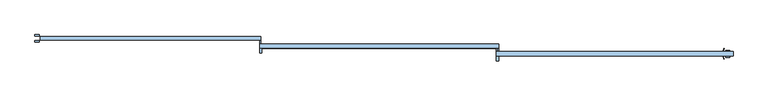
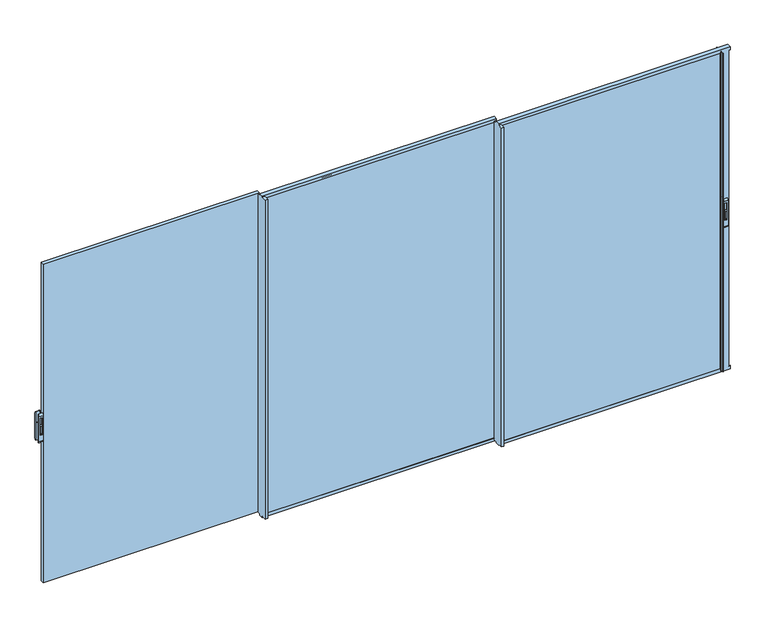
"""IFC4 building model written with IfcOpenShell, lengths in millimetres: window geometry."""

from ifc_helpers import new_model, si_unit, point, frame, frame_2d, origin, place, context, project, spatial, polyline, circle_curve, trimmed, segment, composite_curve, outline, extrude, faceted_brep, source, transform, mapped, element, save
from ifc_brep_helpers import plane_surface, cylinder_surface, revolved_surface, advanced_brep


def window_1f0892d8(model_context):
    return source(origin(), model_context, "Body", "SolidModel", [
        extrude(outline(composite_curve([segment(polyline([(-105.3, 2225.2189223), (-105.3, 2289.6559659)]), True, "CONTINUOUS"), segment(trimmed(circle_curve(frame_2d((-94.7370436, 2289.6559659)), 10.5629564), [point((-105.3, 2289.6559659))], [point((-94.7370436, 2300.2189223))], False, "CARTESIAN"), True, "CONTINUOUS"), segment(polyline([(-94.7370436, 2300.2189223), (-99.5185218, 2225.2189223), (-105.3, 2225.2189223)]), True, "CONTINUOUS")], self_intersect=False)), frame((5088.439635, 0.0, 0.0), z_axis=(1.0, 0.0, 0.0), x_axis=(0.0, 1.0, 0.0)), (0.0, 0.0, 1.0), 14.8235768),
        advanced_brep(
        [(5113.8472469, -105.3, 2157.5), (5113.8472469, -93.3, 2140.0), (5113.8472469, -93.3, 2400.0), (5113.8472469, -105.3, 2382.5), (5077.8935563, -105.3, 2157.5), (5077.8935563, -105.3, 2382.5), (5077.8935563, -93.3, 2400.0), (5077.8935563, -93.3, 2140.0), (5087.0561714, -105.3, 2366.667345), (5104.6466754, -105.3, 2366.667345), (5104.6466754, -105.3, 2210.7687336), (5087.0561714, -105.3, 2210.7687336), (5104.6466754, -94.7370436, 2366.667345), (5087.0561714, -94.7370436, 2366.667345), (5087.0561714, -94.7370436, 2210.7687336), (5104.6466754, -94.7370436, 2210.7687336)],
        [
            (0, 1, circle_curve(frame((5113.8472469, -86.5395833, 2157.5), z_axis=(1.0, 0.0, 0.0), x_axis=(0.0, 0.0, -1.0)), 18.7604167)),
            (1, 2),
            (2, 3, circle_curve(frame((5113.8472469, -86.5395833, 2382.5), z_axis=(1.0, 0.0, 0.0), x_axis=(0.0, 0.0, -1.0)), 18.7604167)),
            (3, 0),
            (4, 5),
            (5, 6, circle_curve(frame((5077.8935563, -86.5395833, 2382.5), z_axis=(-1.0, 0.0, 0.0), x_axis=(0.0, 0.0, -1.0)), 18.7604167)),
            (6, 7),
            (7, 4, circle_curve(frame((5077.8935563, -86.5395833, 2157.5), z_axis=(-1.0, 0.0, 0.0), x_axis=(0.0, 0.0, -1.0)), 18.7604167)),
            (1, 7),
            (6, 2),
            (3, 5),
            (4, 0),
            (8, 9),
            (9, 10),
            (10, 11),
            (11, 8),
            (12, 13),
            (13, 14),
            (14, 15),
            (15, 12),
            (12, 9),
            (8, 13),
            (11, 14),
            (10, 15),
        ],
        [
            plane_surface(frame((5113.8472469, -86.5395833, 2138.7395833), z_axis=(1.0, 0.0, 0.0), x_axis=(0.0, 1.0, 0.0))),
            plane_surface(frame((5077.8935563, -86.5395833, 2138.7395833), z_axis=(-1.0, 0.0, 0.0), x_axis=(0.0, -1.0, 0.0))),
            plane_surface(frame((5113.8472469, -93.3, 2140.0), z_axis=(0.0, 1.0, 0.0), x_axis=(-1.0, 0.0, 0.0))),
            plane_surface(frame((5113.8472469, -105.3, 2382.5), z_axis=(0.0, -1.0, 0.0), x_axis=(-1.0, 0.0, 0.0))),
            plane_surface(frame((5087.0561714, -94.7370436, 2366.667345), z_axis=(0.0, -1.0, 0.0), x_axis=(1.0, 0.0, 0.0))),
            plane_surface(frame((5104.6466754, -105.3, 2366.667345), z_axis=(0.0, 0.0, -1.0), x_axis=(0.0, 1.0, 0.0))),
            plane_surface(frame((5087.0561714, -105.3, 2366.667345), z_axis=(1.0, 0.0, 0.0), x_axis=(0.0, 1.0, 0.0))),
            plane_surface(frame((5087.0561714, -105.3, 2210.7687336), z_axis=(0.0, 0.0, 1.0), x_axis=(0.0, 1.0, 0.0))),
            plane_surface(frame((5104.6466754, -105.3, 2210.7687336), z_axis=(-1.0, 0.0, 0.0), x_axis=(0.0, 1.0, 0.0))),
            cylinder_surface(frame((5077.8935563, -86.5395833, 2157.5), z_axis=(1.0, 0.0, 0.0), x_axis=(0.0, 0.0, -1.0)), 18.7604167),
            cylinder_surface(frame((5077.8935563, -86.5395833, 2382.5), z_axis=(1.0, 0.0, 0.0), x_axis=(0.0, 0.0, -1.0)), 18.7604167),
        ],
        [
            (0, [[1, 2, 3, 4]]),
            (1, [[5, 6, 7, 8]]),
            (2, [[-2, 9, -7, 10]]),
            (3, [[-4, 11, -5, 12], [13, 14, 15, 16]]),
            (4, [[17, 18, 19, 20]]),
            (5, [[-17, 21, -13, 22]]),
            (6, [[-18, -22, -16, 23]]),
            (7, [[-19, -23, -15, 24]]),
            (8, [[-20, -24, -14, -21]]),
            (9, [[-1, -12, -8, -9]]),
            (10, [[-3, -10, -6, -11]]),
        ],
    ),
        extrude(outline(composite_curve([segment(polyline([(-44.9, 2225.2189223), (-50.6814782, 2225.2189223), (-55.4629564, 2300.2189223)]), True, "CONTINUOUS"), segment(trimmed(circle_curve(frame_2d((-55.4629564, 2289.6559659)), 10.5629564), [point((-55.4629564, 2300.2189223))], [point((-44.9, 2289.6559659))], False, "CARTESIAN"), True, "CONTINUOUS"), segment(polyline([(-44.9, 2289.6559659), (-44.9, 2225.2189223)]), True, "CONTINUOUS")], self_intersect=False)), frame((5088.4775914, 0.0, 0.0), z_axis=(1.0, 0.0, 0.0), x_axis=(0.0, 1.0, 0.0)), (0.0, 0.0, 1.0), 14.8235768),
        advanced_brep(
        [(5077.8935563, -44.9, 2157.5), (5077.8935563, -56.9, 2140.0), (5077.8935563, -56.9, 2400.0), (5077.8935563, -44.9, 2382.5), (5113.8472469, -44.9, 2157.5), (5113.8472469, -44.9, 2382.5), (5113.8472469, -56.9, 2400.0), (5113.8472469, -56.9, 2140.0), (5104.6846318, -44.9, 2366.667345), (5087.0941278, -44.9, 2366.667345), (5087.0941278, -44.9, 2210.7687336), (5104.6846318, -44.9, 2210.7687336), (5087.0941278, -55.4629564, 2366.667345), (5104.6846318, -55.4629564, 2366.667345), (5104.6846318, -55.4629564, 2210.7687336), (5087.0941278, -55.4629564, 2210.7687336)],
        [
            (0, 1, circle_curve(frame((5077.8935563, -63.6604167, 2157.5), z_axis=(-1.0, 0.0, 0.0), x_axis=(0.0, 0.0, -1.0)), 18.7604167)),
            (1, 2),
            (2, 3, circle_curve(frame((5077.8935563, -63.6604167, 2382.5), z_axis=(-1.0, 0.0, 0.0), x_axis=(0.0, 0.0, -1.0)), 18.7604167)),
            (3, 0),
            (4, 5),
            (5, 6, circle_curve(frame((5113.8472469, -63.6604167, 2382.5), z_axis=(1.0, 0.0, 0.0), x_axis=(0.0, 0.0, -1.0)), 18.7604167)),
            (6, 7),
            (7, 4, circle_curve(frame((5113.8472469, -63.6604167, 2157.5), z_axis=(1.0, 0.0, 0.0), x_axis=(0.0, 0.0, -1.0)), 18.7604167)),
            (1, 7),
            (6, 2),
            (3, 5),
            (4, 0),
            (8, 9),
            (9, 10),
            (10, 11),
            (11, 8),
            (12, 13),
            (13, 14),
            (14, 15),
            (15, 12),
            (12, 9),
            (8, 13),
            (11, 14),
            (10, 15),
        ],
        [
            plane_surface(frame((5077.8935563, -63.6604167, 2138.7395833), z_axis=(-1.0, 0.0, 0.0), x_axis=(0.0, -1.0, 0.0))),
            plane_surface(frame((5113.8472469, -63.6604167, 2138.7395833), z_axis=(1.0, 0.0, 0.0), x_axis=(0.0, 1.0, 0.0))),
            plane_surface(frame((5077.8935563, -56.9, 2140.0), z_axis=(0.0, -1.0, 0.0), x_axis=(1.0, 0.0, 0.0))),
            plane_surface(frame((5077.8935563, -44.9, 2382.5), z_axis=(0.0, 1.0, 0.0), x_axis=(1.0, 0.0, 0.0))),
            plane_surface(frame((5104.6846318, -55.4629564, 2366.667345), z_axis=(0.0, 1.0, 0.0), x_axis=(-1.0, 0.0, 0.0))),
            plane_surface(frame((5087.0941278, -44.9, 2366.667345), z_axis=(0.0, 0.0, -1.0), x_axis=(0.0, -1.0, 0.0))),
            plane_surface(frame((5104.6846318, -44.9, 2366.667345), z_axis=(-1.0, 0.0, 0.0), x_axis=(0.0, -1.0, 0.0))),
            plane_surface(frame((5104.6846318, -44.9, 2210.7687336), z_axis=(0.0, 0.0, 1.0), x_axis=(0.0, -1.0, 0.0))),
            plane_surface(frame((5087.0941278, -44.9, 2210.7687336), z_axis=(1.0, 0.0, 0.0), x_axis=(0.0, -1.0, 0.0))),
            cylinder_surface(frame((5113.8472469, -63.6604167, 2157.5), z_axis=(-1.0, 0.0, 0.0), x_axis=(0.0, 0.0, -1.0)), 18.7604167),
            cylinder_surface(frame((5113.8472469, -63.6604167, 2382.5), z_axis=(-1.0, 0.0, 0.0), x_axis=(0.0, 0.0, -1.0)), 18.7604167),
        ],
        [
            (0, [[1, 2, 3, 4]]),
            (1, [[5, 6, 7, 8]]),
            (2, [[-2, 9, -7, 10]]),
            (3, [[-4, 11, -5, 12], [13, 14, 15, 16]]),
            (4, [[17, 18, 19, 20]]),
            (5, [[-17, 21, -13, 22]]),
            (6, [[-18, -22, -16, 23]]),
            (7, [[-19, -23, -15, 24]]),
            (8, [[-20, -24, -14, -21]]),
            (9, [[-1, -12, -8, -9]]),
            (10, [[-3, -10, -6, -11]]),
        ],
    ),
        extrude(outline(composite_curve([segment(polyline([(26.7, 2225.2189223), (26.7, 2289.6559659)]), True, "CONTINUOUS"), segment(trimmed(circle_curve(frame_2d((37.2629564, 2289.6559659)), 10.5629564), [point((26.7, 2289.6559659))], [point((37.2629564, 2300.2189223))], False, "CARTESIAN"), True, "CONTINUOUS"), segment(polyline([(37.2629564, 2300.2189223), (32.4814782, 2225.2189223), (26.7, 2225.2189223)]), True, "CONTINUOUS")], self_intersect=False)), frame((-746.8011682, 0.0, 0.0), z_axis=(1.0, 0.0, 0.0), x_axis=(0.0, 1.0, 0.0)), (0.0, 0.0, 1.0), 14.8235768),
        advanced_brep(
        [(-721.3935563, 26.7, 2157.5), (-721.3935563, 38.7, 2140.0), (-721.3935563, 38.7, 2400.0), (-721.3935563, 26.7, 2382.5), (-757.3472469, 26.7, 2157.5), (-757.3472469, 26.7, 2382.5), (-757.3472469, 38.7, 2400.0), (-757.3472469, 38.7, 2140.0), (-748.1846318, 26.7, 2366.667345), (-730.5941278, 26.7, 2366.667345), (-730.5941278, 26.7, 2210.7687336), (-748.1846318, 26.7, 2210.7687336), (-730.5941278, 37.2629564, 2366.667345), (-748.1846318, 37.2629564, 2366.667345), (-748.1846318, 37.2629564, 2210.7687336), (-730.5941278, 37.2629564, 2210.7687336)],
        [
            (0, 1, circle_curve(frame((-721.3935563, 45.4604167, 2157.5), z_axis=(1.0, 0.0, 0.0), x_axis=(0.0, 0.0, -1.0)), 18.7604167)),
            (1, 2),
            (2, 3, circle_curve(frame((-721.3935563, 45.4604167, 2382.5), z_axis=(1.0, 0.0, 0.0), x_axis=(0.0, 0.0, -1.0)), 18.7604167)),
            (3, 0),
            (4, 5),
            (5, 6, circle_curve(frame((-757.3472469, 45.4604167, 2382.5), z_axis=(-1.0, 0.0, 0.0), x_axis=(0.0, 0.0, -1.0)), 18.7604167)),
            (6, 7),
            (7, 4, circle_curve(frame((-757.3472469, 45.4604167, 2157.5), z_axis=(-1.0, 0.0, 0.0), x_axis=(0.0, 0.0, -1.0)), 18.7604167)),
            (1, 7),
            (6, 2),
            (3, 5),
            (4, 0),
            (8, 9),
            (9, 10),
            (10, 11),
            (11, 8),
            (12, 13),
            (13, 14),
            (14, 15),
            (15, 12),
            (12, 9),
            (8, 13),
            (11, 14),
            (10, 15),
        ],
        [
            plane_surface(frame((-721.3935563, 45.4604167, 2138.7395833), z_axis=(1.0, 0.0, 0.0), x_axis=(0.0, 1.0, 0.0))),
            plane_surface(frame((-757.3472469, 45.4604167, 2138.7395833), z_axis=(-1.0, 0.0, 0.0), x_axis=(0.0, -1.0, 0.0))),
            plane_surface(frame((-721.3935563, 38.7, 2140.0), z_axis=(0.0, 1.0, 0.0), x_axis=(-1.0, 0.0, 0.0))),
            plane_surface(frame((-721.3935563, 26.7, 2382.5), z_axis=(0.0, -1.0, 0.0), x_axis=(-1.0, 0.0, 0.0))),
            plane_surface(frame((-748.1846318, 37.2629564, 2366.667345), z_axis=(0.0, -1.0, 0.0), x_axis=(1.0, 0.0, 0.0))),
            plane_surface(frame((-730.5941278, 26.7, 2366.667345), z_axis=(0.0, 0.0, -1.0), x_axis=(0.0, 1.0, 0.0))),
            plane_surface(frame((-748.1846318, 26.7, 2366.667345), z_axis=(1.0, 0.0, 0.0), x_axis=(0.0, 1.0, 0.0))),
            plane_surface(frame((-748.1846318, 26.7, 2210.7687336), z_axis=(0.0, 0.0, 1.0), x_axis=(0.0, 1.0, 0.0))),
            plane_surface(frame((-730.5941278, 26.7, 2210.7687336), z_axis=(-1.0, 0.0, 0.0), x_axis=(0.0, 1.0, 0.0))),
            cylinder_surface(frame((-757.3472469, 45.4604167, 2157.5), z_axis=(1.0, 0.0, 0.0), x_axis=(0.0, 0.0, -1.0)), 18.7604167),
            cylinder_surface(frame((-757.3472469, 45.4604167, 2382.5), z_axis=(1.0, 0.0, 0.0), x_axis=(0.0, 0.0, -1.0)), 18.7604167),
        ],
        [
            (0, [[1, 2, 3, 4]]),
            (1, [[5, 6, 7, 8]]),
            (2, [[-2, 9, -7, 10]]),
            (3, [[-4, 11, -5, 12], [13, 14, 15, 16]]),
            (4, [[17, 18, 19, 20]]),
            (5, [[-17, 21, -13, 22]]),
            (6, [[-18, -22, -16, 23]]),
            (7, [[-19, -23, -15, 24]]),
            (8, [[-20, -24, -14, -21]]),
            (9, [[-1, -12, -8, -9]]),
            (10, [[-3, -10, -6, -11]]),
        ],
    ),
        extrude(outline(composite_curve([segment(polyline([(87.1, 2225.2189223), (81.3185218, 2225.2189223), (76.5370436, 2300.2189223)]), True, "CONTINUOUS"), segment(trimmed(circle_curve(frame_2d((76.5370436, 2289.6559659)), 10.5629564), [point((76.5370436, 2300.2189223))], [point((87.1, 2289.6559659))], False, "CARTESIAN"), True, "CONTINUOUS"), segment(polyline([(87.1, 2289.6559659), (87.1, 2225.2189223)]), True, "CONTINUOUS")], self_intersect=False)), frame((-746.7632118, 0.0, 0.0), z_axis=(1.0, 0.0, 0.0), x_axis=(0.0, 1.0, 0.0)), (0.0, 0.0, 1.0), 14.8235768),
        advanced_brep(
        [(-757.3472469, 87.1, 2157.5), (-757.3472469, 75.1, 2140.0), (-757.3472469, 75.1, 2400.0), (-757.3472469, 87.1, 2382.5), (-721.3935563, 87.1, 2157.5), (-721.3935563, 87.1, 2382.5), (-721.3935563, 75.1, 2400.0), (-721.3935563, 75.1, 2140.0), (-730.5561714, 87.1, 2366.667345), (-748.1466754, 87.1, 2366.667345), (-748.1466754, 87.1, 2210.7687336), (-730.5561714, 87.1, 2210.7687336), (-748.1466754, 76.5370436, 2366.667345), (-730.5561714, 76.5370436, 2366.667345), (-730.5561714, 76.5370436, 2210.7687336), (-748.1466754, 76.5370436, 2210.7687336)],
        [
            (0, 1, circle_curve(frame((-757.3472469, 68.3395833, 2157.5), z_axis=(-1.0, 0.0, 0.0), x_axis=(0.0, 0.0, -1.0)), 18.7604167)),
            (1, 2),
            (2, 3, circle_curve(frame((-757.3472469, 68.3395833, 2382.5), z_axis=(-1.0, 0.0, 0.0), x_axis=(0.0, 0.0, -1.0)), 18.7604167)),
            (3, 0),
            (4, 5),
            (5, 6, circle_curve(frame((-721.3935563, 68.3395833, 2382.5), z_axis=(1.0, 0.0, 0.0), x_axis=(0.0, 0.0, -1.0)), 18.7604167)),
            (6, 7),
            (7, 4, circle_curve(frame((-721.3935563, 68.3395833, 2157.5), z_axis=(1.0, 0.0, 0.0), x_axis=(0.0, 0.0, -1.0)), 18.7604167)),
            (1, 7),
            (6, 2),
            (3, 5),
            (4, 0),
            (8, 9),
            (9, 10),
            (10, 11),
            (11, 8),
            (12, 13),
            (13, 14),
            (14, 15),
            (15, 12),
            (12, 9),
            (8, 13),
            (11, 14),
            (10, 15),
        ],
        [
            plane_surface(frame((-757.3472469, 68.3395833, 2138.7395833), z_axis=(-1.0, 0.0, 0.0), x_axis=(0.0, -1.0, 0.0))),
            plane_surface(frame((-721.3935563, 68.3395833, 2138.7395833), z_axis=(1.0, 0.0, 0.0), x_axis=(0.0, 1.0, 0.0))),
            plane_surface(frame((-757.3472469, 75.1, 2140.0), z_axis=(0.0, -1.0, 0.0), x_axis=(1.0, 0.0, 0.0))),
            plane_surface(frame((-757.3472469, 87.1, 2382.5), z_axis=(0.0, 1.0, 0.0), x_axis=(1.0, 0.0, 0.0))),
            plane_surface(frame((-730.5561714, 76.5370436, 2366.667345), z_axis=(0.0, 1.0, 0.0), x_axis=(-1.0, 0.0, 0.0))),
            plane_surface(frame((-748.1466754, 87.1, 2366.667345), z_axis=(0.0, 0.0, -1.0), x_axis=(0.0, -1.0, 0.0))),
            plane_surface(frame((-730.5561714, 87.1, 2366.667345), z_axis=(-1.0, 0.0, 0.0), x_axis=(0.0, -1.0, 0.0))),
            plane_surface(frame((-730.5561714, 87.1, 2210.7687336), z_axis=(0.0, 0.0, 1.0), x_axis=(0.0, -1.0, 0.0))),
            plane_surface(frame((-748.1466754, 87.1, 2210.7687336), z_axis=(1.0, 0.0, 0.0), x_axis=(0.0, -1.0, 0.0))),
            cylinder_surface(frame((-721.3935563, 68.3395833, 2157.5), z_axis=(-1.0, 0.0, 0.0), x_axis=(0.0, 0.0, -1.0)), 18.7604167),
            cylinder_surface(frame((-721.3935563, 68.3395833, 2382.5), z_axis=(-1.0, 0.0, 0.0), x_axis=(0.0, 0.0, -1.0)), 18.7604167),
        ],
        [
            (0, [[1, 2, 3, 4]]),
            (1, [[5, 6, 7, 8]]),
            (2, [[-2, 9, -7, 10]]),
            (3, [[-4, 11, -5, 12], [13, 14, 15, 16]]),
            (4, [[17, 18, 19, 20]]),
            (5, [[-17, 21, -13, 22]]),
            (6, [[-18, -22, -16, 23]]),
            (7, [[-19, -23, -15, 24]]),
            (8, [[-20, -24, -14, -21]]),
            (9, [[-1, -12, -8, -9]]),
            (10, [[-3, -10, -6, -11]]),
        ],
    ),
        extrude(outline(polyline([(3148.0, -90.1), (3148.0, -60.1), (5068.9810829, -60.1), (5068.9810829, -90.1), (3148.0, -90.1)])), frame((0.0, 0.0, 844.0), z_axis=(0.0, 0.0, 1.0), x_axis=(1.0, 0.0, 0.0)), (0.0, 0.0, 1.0), 2908.9999325),
        advanced_brep(
        [(3140.0, -56.9, 832.5), (3140.0, -93.3, 832.5), (3140.0, -93.3, 844.0), (3140.0, -135.3, 844.0), (3140.0, -135.3, 3752.9999325), (3140.0, -93.3, 3752.9999325), (3140.0, -93.3, 3767.5), (3140.0, -56.9, 3767.5), (3140.0, -56.9, 3752.9999325), (3140.0, -30.1987557, 3752.9999325), (3140.0, -30.1987557, 844.0), (3140.0, -56.9, 844.0), (5140.0, -56.9, 832.5), (5140.0, -93.3, 832.5), (5140.0, -93.3, 859.0), (5128.2810829, -93.3, 859.0), (5128.2810829, -93.3, 3741.0), (5140.0, -93.3, 3741.0), (5140.0, -93.3, 3767.5), (3160.0, -93.3, 3752.9999325), (3160.0, -93.3, 3741.0), (5055.0, -93.3, 3741.0), (5055.0, -93.3, 859.0), (3160.0, -93.3, 859.0), (3160.0, -93.3, 844.0), (5056.9810829, -93.3, 3752.9999325), (5062.3626434, -93.3, 3752.9999325), (5062.3626434, -93.3, 847.0000675), (5056.9810829, -93.3, 847.0000675), (3150.0, -30.1987557, 844.0), (3150.0, -56.9, 844.0), (3160.0, -135.3, 844.0), (3160.0, -135.3, 3752.9999325), (3150.0, -30.1987557, 3752.9999325), (5140.0, -56.9, 859.0), (3150.0, -56.9, 3752.9999325), (5140.0, -56.9, 3767.5), (5140.0, -56.9, 3741.0), (5128.2810829, -56.9, 3741.0), (5128.2810829, -56.9, 859.0), (5055.0, -56.9, 859.0), (5055.0, -56.9, 3741.0), (3160.0, -56.9, 3741.0), (3160.0, -56.9, 859.0), (5062.3626434, -56.9, 3752.9999325), (5056.9810829, -56.9, 3752.9999325), (5056.9810829, -56.9, 847.0000675), (5062.3626434, -56.9, 847.0000675), (5140.0, -60.1, 859.0), (5140.0, -60.1, 847.0000675), (5140.0, -90.1, 847.0000675), (5140.0, -90.1, 859.0), (5128.2810829, -60.1, 859.0), (5128.2810829, -60.1, 847.0000675), (3148.0, -60.1, 847.0000675), (5068.9810829, -60.1, 847.0000675), (5068.9810829, -60.1, 3752.9999325), (3148.0, -60.1, 3752.9999325), (5055.0, -60.1, 859.0), (3160.0, -60.1, 859.0), (3160.0, -60.1, 3741.0), (5055.0, -60.1, 3741.0), (5140.0, -60.1, 3741.0), (5140.0, -60.1, 3752.9999325), (5128.2810829, -60.1, 3752.9999325), (5128.2810829, -60.1, 3741.0), (5128.2810829, -90.1, 847.0000675), (3148.0, -90.1, 847.0000675), (5068.9810829, -90.1, 847.0000675), (5128.2810829, -90.1, 859.0), (3148.0, -90.1, 3752.9999325), (5068.9810829, -90.1, 3752.9999325), (3160.0, -90.1, 859.0), (5055.0, -90.1, 859.0), (5055.0, -90.1, 3741.0), (3160.0, -90.1, 3741.0), (5140.0, -90.1, 3752.9999325), (5140.0, -90.1, 3741.0), (5128.2810829, -90.1, 3741.0), (5128.2810829, -90.1, 3752.9999325), (5055.1121686, -50.3823214, 3752.9999325), (5055.1121686, -50.3823214, 847.0000675), (5055.1121686, -47.825501, 847.0000675), (5059.7647392, -32.6076283, 847.0000675), (5060.721044, -31.9, 847.0000675), (5063.4810829, -31.9, 847.0000675), (5063.9558651, -32.5567861, 847.0000675), (5058.2207139, -47.9669635, 847.0000675), (5058.1075139, -49.9444659, 847.0000675), (5059.4788583, -54.7269121, 847.0000675), (5059.4788583, -95.4730879, 847.0000675), (5058.1075139, -100.2555341, 847.0000675), (5058.2207139, -102.2330365, 847.0000675), (5063.9558651, -117.6432139, 847.0000675), (5063.4810829, -118.3, 847.0000675), (5060.721044, -118.3, 847.0000675), (5059.7647392, -117.5923717, 847.0000675), (5055.1121686, -102.374499, 847.0000675), (5055.1121686, -99.8176786, 847.0000675), (5059.4788583, -54.7269121, 3752.9999325), (5059.4788583, -95.4730879, 3752.9999325), (5055.1121686, -99.8176786, 3752.9999325), (5058.1075139, -100.2555341, 3752.9999325), (5058.2207139, -102.2330365, 3752.9999325), (5063.9558651, -117.6432139, 3752.9999325), (5063.4810829, -118.3, 3752.9999325), (5060.721044, -118.3, 3752.9999325), (5059.7647392, -117.5923717, 3752.9999325), (5055.1121686, -102.374499, 3752.9999325), (5055.1121686, -47.825501, 3752.9999325), (5059.7647392, -32.6076283, 3752.9999325), (5060.721044, -31.9, 3752.9999325), (5063.4810829, -31.9, 3752.9999325), (5063.9558651, -32.5567861, 3752.9999325), (5058.2207139, -47.9669635, 3752.9999325), (5058.1075139, -49.9444659, 3752.9999325)],
        [
            (0, 1),
            (1, 2),
            (2, 3),
            (3, 4),
            (4, 5),
            (5, 6),
            (6, 7),
            (7, 8),
            (8, 9),
            (9, 10),
            (10, 11),
            (11, 0),
            (0, 12),
            (12, 13),
            (13, 1),
            (13, 14),
            (14, 15),
            (15, 16),
            (16, 17),
            (17, 18),
            (18, 6),
            (5, 19),
            (19, 20),
            (20, 21),
            (21, 22),
            (22, 23),
            (23, 24),
            (24, 2),
            (25, 26),
            (26, 27),
            (27, 28),
            (28, 25),
            (10, 29),
            (29, 30),
            (30, 11),
            (31, 3),
            (24, 31),
            (32, 4),
            (31, 32),
            (9, 33),
            (33, 29),
            (34, 12),
            (30, 35),
            (35, 8),
            (7, 36),
            (36, 37),
            (37, 38),
            (38, 39),
            (39, 34),
            (40, 41),
            (41, 42),
            (42, 43),
            (43, 40),
            (44, 45),
            (45, 46),
            (46, 47),
            (47, 44),
            (48, 49),
            (49, 50),
            (50, 51),
            (51, 14),
            (34, 48),
            (48, 52),
            (52, 53),
            (53, 49),
            (54, 55),
            (55, 56),
            (56, 57),
            (57, 54),
            (58, 59),
            (59, 60),
            (60, 61),
            (61, 58),
            (62, 63),
            (63, 64),
            (64, 65),
            (65, 62),
            (53, 66),
            (66, 50),
            (54, 67),
            (67, 68),
            (68, 55),
            (66, 69),
            (69, 51),
            (67, 70),
            (70, 71),
            (71, 68),
            (72, 73),
            (73, 74),
            (74, 75),
            (75, 72),
            (76, 77),
            (77, 78),
            (78, 79),
            (79, 76),
            (69, 15),
            (72, 23),
            (22, 73),
            (39, 52),
            (43, 59),
            (58, 40),
            (38, 65),
            (64, 79),
            (78, 16),
            (42, 60),
            (61, 41),
            (33, 35),
            (45, 80),
            (80, 81),
            (81, 46),
            (81, 82, circle_curve(frame((5059.5705149, -49.1039112, 847.0000675), z_axis=(0.0, 0.0, -1.0), x_axis=(0.0, -1.0, 0.0)), 4.638015)),
            (82, 83),
            (83, 84, circle_curve(frame((5060.721044, -32.9, 847.0000675), z_axis=(0.0, 0.0, -1.0), x_axis=(0.0, -1.0, 0.0)), 1.0)),
            (84, 85),
            (85, 86, circle_curve(frame((5063.4810829, -32.4, 847.0000675), z_axis=(0.0, 0.0, -1.0), x_axis=(0.0, -1.0, 0.0)), 0.5)),
            (86, 87, circle_curve(frame((4854.7879244, 36.5162025, 847.0000675), z_axis=(0.0, 0.0, -1.0), x_axis=(0.0, -1.0, 0.0)), 220.2777909)),
            (87, 88, circle_curve(frame((5060.991299, -49.1175538, 847.0000675), z_axis=(0.0, 0.0, 1.0), x_axis=(0.0, -1.0, 0.0)), 3.0)),
            (88, 89),
            (89, 47, circle_curve(frame((5062.3626434, -53.9, 847.0000675), z_axis=(0.0, 0.0, 1.0), x_axis=(0.0, -1.0, 0.0)), 3.0)),
            (27, 90, circle_curve(frame((5062.3626434, -96.3, 847.0000675), z_axis=(0.0, 0.0, 1.0), x_axis=(0.0, -1.0, 0.0)), 3.0)),
            (90, 91),
            (91, 92, circle_curve(frame((5060.991299, -101.0824462, 847.0000675), z_axis=(0.0, 0.0, 1.0), x_axis=(0.0, -1.0, 0.0)), 3.0)),
            (92, 93, circle_curve(frame((4854.7879244, -186.7162025, 847.0000675), z_axis=(0.0, 0.0, -1.0), x_axis=(0.0, -1.0, 0.0)), 220.2777909)),
            (93, 94, circle_curve(frame((5063.4810829, -117.8, 847.0000675), z_axis=(0.0, 0.0, -1.0), x_axis=(0.0, -1.0, 0.0)), 0.5)),
            (94, 95),
            (95, 96, circle_curve(frame((5060.721044, -117.3, 847.0000675), z_axis=(0.0, 0.0, -1.0), x_axis=(0.0, -1.0, 0.0)), 1.0)),
            (96, 97),
            (97, 98, circle_curve(frame((5059.5705149, -101.0960888, 847.0000675), z_axis=(0.0, 0.0, -1.0), x_axis=(0.0, -1.0, 0.0)), 4.638015)),
            (98, 28),
            (99, 44, circle_curve(frame((5062.3626434, -53.9, 3752.9999325), z_axis=(0.0, 0.0, 1.0), x_axis=(0.0, -1.0, 0.0)), 3.0)),
            (89, 99),
            (21, 74),
            (75, 20),
            (19, 32),
            (26, 100, circle_curve(frame((5062.3626434, -96.3, 3752.9999325), z_axis=(0.0, 0.0, 1.0), x_axis=(0.0, -1.0, 0.0)), 3.0)),
            (100, 90),
            (101, 25),
            (98, 101),
            (57, 70),
            (71, 56),
            (100, 102),
            (102, 91),
            (102, 103, circle_curve(frame((5060.991299, -101.0824462, 3752.9999325), z_axis=(0.0, 0.0, 1.0), x_axis=(0.0, -1.0, 0.0)), 3.0)),
            (103, 92),
            (103, 104, circle_curve(frame((4854.7879244, -186.7162025, 3752.9999325), z_axis=(0.0, 0.0, -1.0), x_axis=(0.0, -1.0, 0.0)), 220.2777909)),
            (104, 93),
            (104, 105, circle_curve(frame((5063.4810829, -117.8, 3752.9999325), z_axis=(0.0, 0.0, -1.0), x_axis=(0.0, -1.0, 0.0)), 0.5)),
            (105, 94),
            (105, 106),
            (106, 95),
            (106, 107, circle_curve(frame((5060.721044, -117.3, 3752.9999325), z_axis=(0.0, 0.0, -1.0), x_axis=(0.0, -1.0, 0.0)), 1.0)),
            (107, 96),
            (107, 108),
            (108, 97),
            (108, 101, circle_curve(frame((5059.5705149, -101.0960888, 3752.9999325), z_axis=(0.0, 0.0, -1.0), x_axis=(0.0, -1.0, 0.0)), 4.638015)),
            (80, 109, circle_curve(frame((5059.5705149, -49.1039112, 3752.9999325), z_axis=(0.0, 0.0, -1.0), x_axis=(0.0, -1.0, 0.0)), 4.638015)),
            (109, 82),
            (109, 110),
            (110, 83),
            (110, 111, circle_curve(frame((5060.721044, -32.9, 3752.9999325), z_axis=(0.0, 0.0, -1.0), x_axis=(0.0, -1.0, 0.0)), 1.0)),
            (111, 84),
            (111, 112),
            (112, 85),
            (112, 113, circle_curve(frame((5063.4810829, -32.4, 3752.9999325), z_axis=(0.0, 0.0, -1.0), x_axis=(0.0, -1.0, 0.0)), 0.5)),
            (113, 86),
            (113, 114, circle_curve(frame((4854.7879244, 36.5162025, 3752.9999325), z_axis=(0.0, 0.0, -1.0), x_axis=(0.0, -1.0, 0.0)), 220.2777909)),
            (114, 87),
            (114, 115, circle_curve(frame((5060.991299, -49.1175538, 3752.9999325), z_axis=(0.0, 0.0, 1.0), x_axis=(0.0, -1.0, 0.0)), 3.0)),
            (115, 88),
            (115, 99),
            (18, 36),
            (62, 37),
            (17, 77),
            (76, 63),
        ],
        [
            plane_surface(frame((3140.0, -56.9, 859.0), z_axis=(-1.0, 0.0, 0.0), x_axis=(0.0, 1.0, 0.0))),
            plane_surface(frame((3140.0, -56.9, 832.5), z_axis=(0.0, 0.0, -1.0), x_axis=(1.0, 0.0, 0.0))),
            plane_surface(frame((3140.0, -93.3, 832.5), z_axis=(0.0, -1.0, 0.0), x_axis=(1.0, 0.0, 0.0))),
            plane_surface(frame((3140.0, -135.3, 844.0), z_axis=(0.0, 0.0, -1.0), x_axis=(0.0, 1.0, 0.0))),
            plane_surface(frame((3140.0, -135.3, 3752.9999325), z_axis=(0.0, -1.0, 0.0), x_axis=(0.0, 0.0, -1.0))),
            plane_surface(frame((3150.0, -30.1987557, 3752.9999325), z_axis=(0.0, 1.0, 0.0), x_axis=(0.0, 0.0, -1.0))),
            plane_surface(frame((3140.0, -56.9, 859.0), z_axis=(0.0, 1.0, 0.0), x_axis=(1.0, 0.0, 0.0))),
            plane_surface(frame((5140.0, -56.9, 859.0), z_axis=(1.0, 0.0, 0.0), x_axis=(0.0, -1.0, 0.0))),
            plane_surface(frame((3140.0, -60.1, 847.0000675), z_axis=(0.0, -1.0, 0.0), x_axis=(1.0, 0.0, 0.0))),
            plane_surface(frame((3140.0, -90.1, 847.0000675), z_axis=(0.0, 0.0, 1.0), x_axis=(1.0, 0.0, 0.0))),
            plane_surface(frame((3140.0, -90.1, 859.0), z_axis=(0.0, 1.0, 0.0), x_axis=(1.0, 0.0, 0.0))),
            plane_surface(frame((3140.0, -93.3, 859.0), z_axis=(0.0, 0.0, 1.0), x_axis=(1.0, 0.0, 0.0))),
            plane_surface(frame((3140.0, -60.1, 859.0), z_axis=(0.0, 0.0, 1.0), x_axis=(1.0, 0.0, 0.0))),
            plane_surface(frame((5128.2810829, -93.3, 3752.9999325), z_axis=(1.0, 0.0, 0.0), x_axis=(0.0, 0.0, -1.0))),
            plane_surface(frame((3160.0, -60.1, 3752.9999325), z_axis=(1.0, 0.0, 0.0), x_axis=(0.0, 0.0, -1.0))),
            plane_surface(frame((5055.0, -56.9, 3752.9999325), z_axis=(-1.0, 0.0, 0.0), x_axis=(0.0, 0.0, -1.0))),
            plane_surface(frame((3150.0, -56.9, 3752.9999325), z_axis=(1.0, 0.0, 0.0), x_axis=(0.0, 0.0, -1.0))),
            plane_surface(frame((5055.1121686, -50.3823214, 3752.9999325), z_axis=(-0.9612616959382096, -0.2756373558173801, 0.0), x_axis=(0.0, 0.0, -1.0))),
            plane_surface(frame((5055.0, 100.0, 847.0000675), z_axis=(0.0, 0.0, -1.0), x_axis=(0.0, -1.0, 0.0))),
            revolved_surface(polyline([(5062.3626434, -56.9, 847.0000675000001), (5062.3626434, -56.9, 3752.9999325)]), (5062.3626434, -53.9, 3752.9999325), (0.0, 0.0, -1.0)),
            plane_surface(frame((5055.0, -90.1, 3752.9999325), z_axis=(-1.0, 0.0, 0.0), x_axis=(0.0, 0.0, -1.0))),
            plane_surface(frame((3160.0, -135.3, 3752.9999325), z_axis=(1.0, 0.0, 0.0), x_axis=(0.0, 0.0, -1.0))),
            revolved_surface(polyline([(5062.3626434, -99.3, 847.0000675000001), (5062.3626434, -99.3, 3752.9999325)]), (5062.3626434, -96.3, 3752.9999325), (0.0, 0.0, -1.0)),
            plane_surface(frame((5056.9810829, -93.3, 3752.9999325), z_axis=(-0.9612616959386715, 0.2756373558157694, 0.0), x_axis=(0.0, 0.0, -1.0))),
            plane_surface(frame((3148.0, -90.1, 3752.9999325), z_axis=(1.0, 0.0, 0.0), x_axis=(0.0, 0.0, -1.0))),
            plane_surface(frame((5068.9810829, -60.1, 3752.9999325), z_axis=(-1.0, 0.0, 0.0), x_axis=(0.0, 0.0, -1.0))),
            plane_surface(frame((5058.1075139, -100.2555341, 3752.9999325), z_axis=(0.9612616959452622, -0.2756373557927849, 0.0), x_axis=(0.0, 0.0, -1.0))),
            revolved_surface(polyline([(5060.991299, -104.0824462, 847.0000675000001), (5060.991299, -104.0824462, 3752.9999325)]), (5060.991299, -101.0824462, 3752.9999325), (0.0, 0.0, -1.0)),
            cylinder_surface(frame((4854.7879244, -186.7162025, 3752.9999325), z_axis=(0.0, 0.0, 1.0), x_axis=(0.0, -1.0, 0.0)), 220.2777909),
            cylinder_surface(frame((5063.4810829, -117.8, 3752.9999325), z_axis=(0.0, 0.0, 1.0), x_axis=(0.0, -1.0, 0.0)), 0.5),
            plane_surface(frame((5060.721044, -118.3, 3752.9999325), z_axis=(0.0, -1.0, 0.0), x_axis=(0.0, 0.0, -1.0))),
            cylinder_surface(frame((5060.721044, -117.3, 3752.9999325), z_axis=(0.0, 0.0, 1.0), x_axis=(0.0, -1.0, 0.0)), 1.0),
            plane_surface(frame((5055.1121686, -102.374499, 3752.9999325), z_axis=(-0.9563047559631129, -0.29237170472248364, 0.0), x_axis=(0.0, 0.0, -1.0))),
            cylinder_surface(frame((5059.5705149, -101.0960888, 3752.9999325), z_axis=(0.0, 0.0, 1.0), x_axis=(0.0, -1.0, 0.0)), 4.638015),
            cylinder_surface(frame((5059.5705149, -49.1039112, 3752.9999325), z_axis=(0.0, 0.0, 1.0), x_axis=(0.0, -1.0, 0.0)), 4.638015),
            plane_surface(frame((5059.7647392, -32.6076283, 3752.9999325), z_axis=(-0.9563047559630863, 0.2923717047225708, 0.0), x_axis=(0.0, 0.0, -1.0))),
            cylinder_surface(frame((5060.721044, -32.9, 3752.9999325), z_axis=(0.0, 0.0, 1.0), x_axis=(0.0, -1.0, 0.0)), 1.0),
            plane_surface(frame((5063.4810829, -31.9, 3752.9999325), z_axis=(0.0, 1.0, 0.0), x_axis=(0.0, 0.0, -1.0))),
            cylinder_surface(frame((5063.4810829, -32.4, 3752.9999325), z_axis=(0.0, 0.0, 1.0), x_axis=(0.0, -1.0, 0.0)), 0.5),
            cylinder_surface(frame((4854.7879244, 36.5162025, 3752.9999325), z_axis=(0.0, 0.0, 1.0), x_axis=(0.0, -1.0, 0.0)), 220.2777909),
            revolved_surface(polyline([(5060.991299, -52.1175538, 847.0000675000001), (5060.991299, -52.1175538, 3752.9999325)]), (5060.991299, -49.1175538, 3752.9999325), (0.0, 0.0, -1.0)),
            plane_surface(frame((5059.4788583, -54.7269121, 3752.9999325), z_axis=(0.9612616959384971, 0.2756373558163778, 0.0), x_axis=(0.0, 0.0, -1.0))),
            plane_surface(frame((3140.0, -135.3, 3752.9999325), z_axis=(0.0, 0.0, 1.0), x_axis=(0.0, -1.0, 0.0))),
            plane_surface(frame((3140.0, -93.3, 3767.5), z_axis=(0.0, 0.0, 1.0), x_axis=(1.0, 0.0, 0.0))),
            plane_surface(frame((5140.0, -60.1, 3741.0), z_axis=(1.0, 0.0, 0.0), x_axis=(0.0, 0.0, -1.0))),
            plane_surface(frame((3140.0, -56.9, 3741.0), z_axis=(0.0, 0.0, -1.0), x_axis=(1.0, 0.0, 0.0))),
            plane_surface(frame((5055.0, 100.0, 3752.9999325), z_axis=(0.0, 0.0, 1.0), x_axis=(0.0, -1.0, 0.0))),
            plane_surface(frame((3140.0, -90.1, 3741.0), z_axis=(0.0, 0.0, -1.0), x_axis=(1.0, 0.0, 0.0))),
            plane_surface(frame((3140.0, -60.1, 3752.9999325), z_axis=(0.0, 0.0, -1.0), x_axis=(1.0, 0.0, 0.0))),
        ],
        [
            (0, [[1, 2, 3, 4, 5, 6, 7, 8, 9, 10, 11, 12]]),
            (1, [[-1, 13, 14, 15]]),
            (2, [[16, 17, 18, 19, 20, 21, -6, 22, 23, 24, 25, 26, 27, 28, -2, -15], [29, 30, 31, 32]]),
            (3, [[33, 34, 35, -11]]),
            (3, [[36, -3, -28, 37]]),
            (4, [[38, -4, -36, 39]]),
            (5, [[40, 41, -33, -10]]),
            (6, [[42, -13, -12, -35, 43, 44, -8, 45, 46, 47, 48, 49], [50, 51, 52, 53], [54, 55, 56, 57]]),
            (7, [[58, 59, 60, 61, -16, -14, -42, 62]]),
            (8, [[-58, 63, 64, 65]]),
            (8, [[66, 67, 68, 69], [70, 71, 72, 73]]),
            (8, [[74, 75, 76, 77]]),
            (9, [[-59, -65, 78, 79]]),
            (9, [[80, 81, 82, -66]]),
            (10, [[-60, -79, 83, 84]]),
            (10, [[-81, 85, 86, 87], [88, 89, 90, 91]]),
            (10, [[92, 93, 94, 95]]),
            (11, [[-61, -84, 96, -17]]),
            (11, [[97, -26, 98, -88]]),
            (12, [[-62, -49, 99, -63]]),
            (12, [[100, -70, 101, -53]]),
            (13, [[-99, -48, 102, -76, 103, -94, 104, -18, -96, -83, -78, -64]]),
            (14, [[-100, -52, 105, -71]]),
            (15, [[-101, -73, 106, -50]]),
            (16, [[107, -43, -34, -41]]),
            (17, [[-55, 108, 109, 110]]),
            (18, [[-110, 111, 112, 113, 114, 115, 116, 117, 118, 119, -56]]),
            (18, [[120, 121, 122, 123, 124, 125, 126, 127, 128, 129, -31]]),
            (19, [[130, -57, -119, 131]]),
            (20, [[-98, -25, 132, -89]]),
            (21, [[-39, -37, -27, -97, -91, 133, -23, 134]]),
            (22, [[-30, 135, 136, -120]]),
            (23, [[137, -32, -129, 138]]),
            (24, [[-85, -80, -69, 139]]),
            (25, [[-67, -82, -87, 140]]),
            (26, [[141, 142, -121, -136]]),
            (27, [[143, 144, -122, -142]]),
            (28, [[145, 146, -123, -144]]),
            (29, [[147, 148, -124, -146]]),
            (30, [[149, 150, -125, -148]]),
            (31, [[151, 152, -126, -150]]),
            (32, [[153, 154, -127, -152]]),
            (33, [[155, -138, -128, -154]]),
            (34, [[156, 157, -111, -109]]),
            (35, [[158, 159, -112, -157]]),
            (36, [[160, 161, -113, -159]]),
            (37, [[162, 163, -114, -161]]),
            (38, [[164, 165, -115, -163]]),
            (39, [[166, 167, -116, -165]]),
            (40, [[168, 169, -117, -167]]),
            (41, [[170, -131, -118, -169]]),
            (42, [[-38, -134, -22, -5]]),
            (42, [[-107, -40, -9, -44]]),
            (43, [[-7, -21, 171, -45]]),
            (44, [[172, -46, -171, -20, 173, -92, 174, -74]]),
            (45, [[-172, -77, -102, -47]]),
            (45, [[-72, -105, -51, -106]]),
            (46, [[-130, -170, -168, -166, -164, -162, -160, -158, -156, -108, -54]]),
            (46, [[-137, -155, -153, -151, -149, -147, -145, -143, -141, -135, -29]]),
            (47, [[-173, -19, -104, -93]]),
            (47, [[-90, -132, -24, -133]]),
            (48, [[-174, -95, -103, -75]]),
            (48, [[-68, -140, -86, -139]]),
        ],
    ),
        extrude(outline(polyline([(1148.0, -24.1), (1148.0, 5.9), (3152.0, 5.9), (3152.0, -24.1), (1148.0, -24.1)])), frame((0.0, 0.0, 847.0000675), z_axis=(0.0, 0.0, 1.0), x_axis=(1.0, 0.0, 0.0)), (0.0, 0.0, 1.0), 2905.9998651),
        faceted_brep([(1140.0, 9.1, 832.5), (1140.0, -27.3, 832.5), (1140.0, -27.3, 844.0), (1140.0, -69.2930091, 844.0), (1140.0, -69.2930091, 3756.0), (1140.0, -27.3, 3756.0), (1140.0, -27.3, 3765.0), (1140.0, 9.1, 3765.0), (1140.0, 9.1, 3756.0), (1140.0, 35.7, 3756.0), (1140.0, 35.7, 844.0), (1140.0, 9.1, 844.0), (3160.0, 9.1, 832.5), (3160.0, -27.3, 832.5), (3160.0, -27.3, 847.0000675), (3150.0, -27.3, 847.0000675), (3150.0, -27.3, 3752.9999325), (3160.0, -27.3, 3752.9999325), (3160.0, -27.3, 3765.0), (1160.0, -27.3, 3756.0), (1160.0, -27.3, 3741.0), (3140.0, -27.3, 3741.0), (3140.0, -27.3, 859.0), (1160.0, -27.3, 859.0), (1160.0, -27.3, 844.0), (1150.0, 35.7, 844.0), (1150.0, 9.1, 844.0), (1160.0, -69.2930091, 844.0), (1160.0, -69.2930091, 3756.0), (1150.0, 35.7, 3756.0), (1150.0, 9.1, 3756.0), (3160.0, 9.1, 3765.0), (3140.0, 9.1, 3741.0), (1160.0, 9.1, 3741.0), (1160.0, 9.1, 859.0), (3140.0, 9.1, 859.0), (3160.0, -53.9, 3752.9999325), (3160.0, -53.9, 847.0000675), (3150.0, -53.9, 3752.9999325), (3150.0, -53.9, 847.0000675), (3140.0, 5.9, 859.0), (1160.0, 5.9, 859.0), (3140.0, 5.9, 3741.0), (1160.0, 5.9, 3741.0), (3152.0, 5.9, 847.0000675), (3152.0, 5.9, 3752.9999325), (1148.0, 5.9, 3752.9999325), (1148.0, 5.9, 847.0000675), (3140.0, -24.1, 859.0), (3140.0, -24.1, 3741.0), (1160.0, -24.1, 859.0), (1160.0, -24.1, 3741.0), (3152.0, -24.1, 3752.9999325), (3152.0, -24.1, 847.0000675), (1148.0, -24.1, 847.0000675), (1148.0, -24.1, 3752.9999325)], [[[0, 1, 2, 3, 4, 5, 6, 7, 8, 9, 10, 11]], [[1, 0, 12, 13]], [[1, 13, 14, 15, 16, 17, 18, 6, 5, 19, 20, 21, 22, 23, 24, 2]], [[25, 26, 11, 10]], [[27, 3, 2, 24]], [[28, 4, 3, 27]], [[9, 29, 25, 10]], [[12, 0, 11, 26, 30, 8, 7, 31], [32, 33, 34, 35]], [[13, 12, 31, 18, 17, 36, 37, 14]], [[36, 38, 39, 37]], [[37, 39, 15, 14]], [[40, 35, 34, 41]], [[35, 40, 42, 32]], [[43, 41, 34, 33]], [[44, 45, 46, 47], [42, 40, 41, 43]], [[29, 30, 26, 25]], [[38, 16, 15, 39]], [[48, 22, 21, 49]], [[22, 48, 50, 23]], [[28, 27, 24, 23, 50, 51, 20, 19]], [[52, 53, 54, 55], [48, 49, 51, 50]], [[44, 53, 52, 45]], [[54, 53, 44, 47]], [[47, 46, 55, 54]], [[4, 28, 19, 5]], [[29, 9, 8, 30]], [[7, 6, 18, 31]], [[16, 38, 36, 17]], [[32, 42, 43, 33]], [[49, 21, 20, 51]], [[46, 45, 52, 55]]]),
        extrude(outline(polyline([(-712.5, 41.9), (-712.5, 71.9), (1152.0, 71.9), (1152.0, 41.9), (-712.5, 41.9)])), frame((0.0, 0.0, 847.0000675), z_axis=(0.0, 0.0, 1.0), x_axis=(1.0, 0.0, 0.0)), (0.0, 0.0, 1.0), 2905.9998651),
    ])


if __name__ == "__main__":
    model = new_model("IFC4")
    model_context = context("Model", 3, world=origin())
    ifc_project = project(units=[si_unit("LENGTHUNIT", "METRE", prefix="MILLI")], contexts=[model_context])
    site = spatial("IfcSite", under=ifc_project)
    building = spatial("IfcBuilding", under=site)
    placement = place(None, origin())
    window_shape = window_1f0892d8(model_context)
    element("IfcWindow", 1, at=placement, inside=building, context=model_context, shape_type="MappedRepresentation", body=[
        mapped(window_shape, transform((0.0, 0.0, 0.0), x_axis=(1.0, 0.0, 0.0), y_axis=(0.0, 1.0, 0.0), z_axis=(0.0, 0.0, 1.0))),
    ])
    save(model, "model.ifc")
